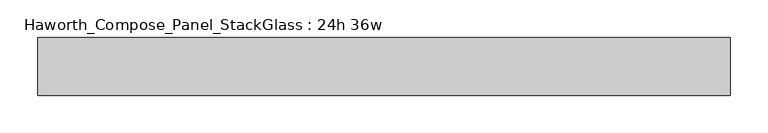
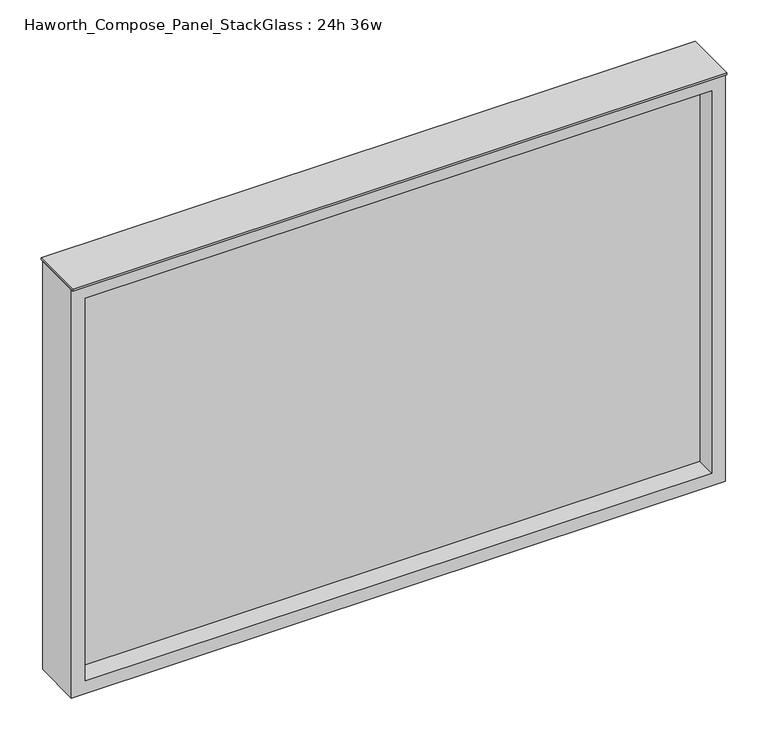
"""IFC4 building model written with IfcOpenShell, lengths in millimetres: furniture geometry, Haworth_Compose_Panel_StackGlass : 24h 36w."""

from ifc_helpers import new_model, si_unit, frame, origin, place, context, project, spatial, polyline, outline, extrude, source, transform, mapped, element, save


def haworth_compose_panel_stackglass_24h_36w_129c1315(model_context):
    return source(origin(), model_context, "Body", "SweptSolid", [
        extrude(outline(polyline([(440.5902902, -6.35), (-435.7097098, -6.35), (-435.7097098, 6.35), (440.5902902, 6.35), (440.5902902, -6.35)])), frame((0.0, 0.0, 1085.85), z_axis=(0.0, 0.0, 1.0), x_axis=(1.0, 0.0, 0.0)), (0.0, 0.0, 1.0), 565.15),
        extrude(outline(polyline([(1670.05, -454.7597098), (1066.8, -454.7597098), (1066.8, 459.6402902), (1670.05, 459.6402902), (1670.05, -454.7597098)]), holes=[polyline([(1651.0, 440.5902902), (1085.85, 440.5902902), (1085.85, -435.7097098), (1651.0, -435.7097098), (1651.0, 440.5902902)])]), frame((0.0, -34.925, 0.0), z_axis=(0.0, 1.0, 0.0), x_axis=(0.0, 0.0, 1.0)), (0.0, 0.0, 1.0), 69.85),
        extrude(outline(polyline([(-454.7597098, -38.1), (-454.7597098, 38.1), (459.6402902, 38.1), (459.6402902, -38.1), (-454.7597098, -38.1)])), frame((0.0, 0.0, 1670.05), z_axis=(0.0, 0.0, 1.0), x_axis=(1.0, 0.0, 0.0)), (0.0, 0.0, 1.0), 3.175),
    ])


if __name__ == "__main__":
    model = new_model("IFC4")
    model_context = context("Model", 3, world=origin())
    ifc_project = project(units=[si_unit("LENGTHUNIT", "METRE", prefix="MILLI")], contexts=[model_context])
    site = spatial("IfcSite", under=ifc_project)
    building = spatial("IfcBuilding", under=site)
    placement = place(None, origin())
    haworth_compose_panel_stackglass_24h_36w_shape = haworth_compose_panel_stackglass_24h_36w_129c1315(model_context)
    element("IfcFurniture", 1, ObjectType="Haworth_Compose_Panel_StackGlass : 24h 36w", at=placement, inside=building, context=model_context, shape_type="MappedRepresentation", body=[
        mapped(haworth_compose_panel_stackglass_24h_36w_shape, transform((0.0, 0.0, 0.0), x_axis=(1.0, 0.0, 0.0), y_axis=(0.0, 1.0, 0.0), z_axis=(0.0, 0.0, 1.0))),
    ])
    save(model, "model.ifc")
